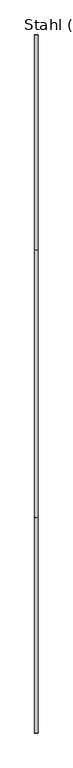
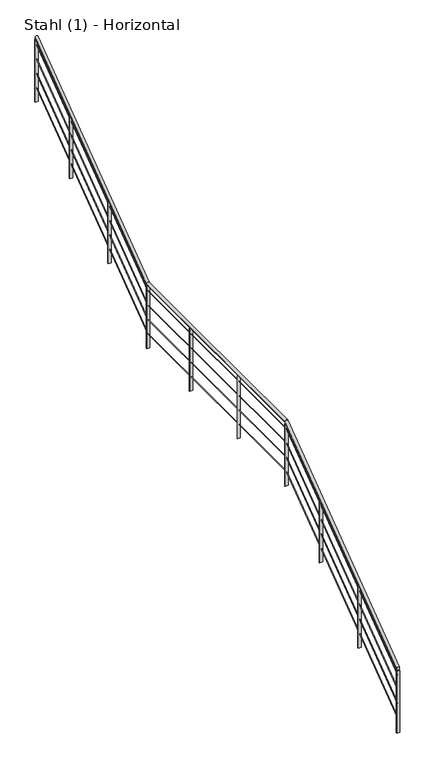
"""IFC4 building model written with IfcOpenShell, lengths in millimetres: railing geometry, Stahl (1) - Horizontal."""

from ifc_helpers import new_model, si_unit, frame, origin, place, context, project, spatial, polyline, ellipse_curve, outline, extrude, source, transform, mapped, element, save
from ifc_brep_helpers import plane_surface, cylinder_surface, advanced_brep


def stahl_1_horizontal_097bbfe8(model_context):
    return source(origin(), model_context, "Body", "SolidModel", [
        advanced_brep(
        [(33122.3888375, 17140.3990241, 4785.0587002), (33082.3888375, 17140.3990241, 4785.0587002), (33122.3888375, 19697.0307686, 6690.0), (33082.3888375, 19697.0307686, 6690.0), (33122.3888375, 22869.8979331, 6690.0), (33082.3888375, 22869.8979331, 6690.0), (33122.3888375, 25413.2661887, 8585.0587002), (33082.3888375, 25413.2661887, 8585.0587002)],
        [
            (0, 1, ellipse_curve(frame((33102.3888375, 17140.3990241, 4785.0587002), z_axis=(0.0, -1.0, 0.0), x_axis=(0.0, 0.0, -1.0)), 24.9412998, 20.0)),
            (1, 0, ellipse_curve(frame((33102.3888375, 17140.3990241, 4785.0587002), z_axis=(0.0, -1.0, 0.0), x_axis=(0.0, 0.0, -1.0)), 24.9412998, 20.0)),
            (0, 2),
            (2, 3, ellipse_curve(frame((33102.3888375, 19697.0307686, 6690.0), z_axis=(0.0, -0.9491793370099771, -0.31473574025410656), x_axis=(0.0, 0.3147357402541069, -0.9491793370099768)), 21.0708337, 20.0)),
            (3, 1),
            (3, 2, ellipse_curve(frame((33102.3888375, 19697.0307686, 6690.0), z_axis=(0.0, -0.9491793370099771, -0.31473574025410656), x_axis=(0.0, 0.3147357402541069, -0.9491793370099768)), 21.0708337, 20.0)),
            (2, 4),
            (4, 5, ellipse_curve(frame((33102.3888375, 22869.8979331, 6690.0), z_axis=(0.0, -0.9491793370099771, -0.31473574025410656), x_axis=(0.0, -0.3147357402541059, 0.9491793370099773)), 21.0708337, 20.0)),
            (5, 3),
            (5, 4, ellipse_curve(frame((33102.3888375, 22869.8979331, 6690.0), z_axis=(0.0, -0.9491793370099771, -0.31473574025410656), x_axis=(0.0, -0.3147357402541059, 0.9491793370099773)), 21.0708337, 20.0)),
            (6, 7, ellipse_curve(frame((33102.3888375, 25413.2661887, 8585.0587002), z_axis=(0.0, 1.0, 0.0), x_axis=(0.0, 0.0, -1.0)), 24.9412998, 20.0)),
            (7, 6, ellipse_curve(frame((33102.3888375, 25413.2661887, 8585.0587002), z_axis=(0.0, 1.0, 0.0), x_axis=(0.0, 0.0, -1.0)), 24.9412998, 20.0)),
            (4, 6),
            (7, 5),
        ],
        [
            plane_surface(frame((33102.3888375, 17140.3990241, 4810.0), z_axis=(0.0, -1.0, 0.0), x_axis=(0.0, 0.0, 1.0))),
            cylinder_surface(frame((33102.3888375, 17152.3486506, 4793.9623434), z_axis=(0.0, -0.8018828276133991, -0.5974813225354744), x_axis=(-1.0, 0.0, 0.0)), 20.0),
            cylinder_surface(frame((33102.3888375, 19690.3990241, 6690.0), z_axis=(0.0, -1.0, 0.0), x_axis=(-1.0, 0.0, 0.0)), 20.0),
            plane_surface(frame((33102.3888375, 25413.2661887, 8610.0), z_axis=(0.0, 1.0, 0.0), x_axis=(0.0, 0.0, 1.0))),
            cylinder_surface(frame((33102.3888375, 22875.2158151, 6693.9623434), z_axis=(0.0, -0.8018828276133991, -0.5974813225354744), x_axis=(-1.0, 0.0, 0.0)), 20.0),
        ],
        [
            (0, [[1, 2]]),
            (1, [[-1, 3, 4, 5]]),
            (1, [[-2, -5, 6, -3]]),
            (2, [[-4, 7, 8, 9]]),
            (2, [[-6, -9, 10, -7]]),
            (3, [[11, 12]]),
            (4, [[-8, 13, -12, 14]]),
            (4, [[-10, -14, -11, -13]]),
        ],
    ),
        advanced_brep(
        [(33103.8888375, 17140.3990241, 4688.1294025), (33100.8888375, 17140.3990241, 4688.1294025), (33103.8888375, 19690.8964049, 6588.5), (33100.8888375, 19690.8964049, 6588.5), (33103.8888375, 22863.7635695, 6588.5), (33100.8888375, 22863.7635695, 6588.5), (33103.8888375, 25413.2661887, 8488.1294025), (33100.8888375, 25413.2661887, 8488.1294025)],
        [
            (0, 1, ellipse_curve(frame((33102.3888375, 17140.3990241, 4688.1294025), z_axis=(0.0, -1.0, 0.0), x_axis=(0.0, 0.0, -1.0)), 1.8705975, 1.5)),
            (1, 0, ellipse_curve(frame((33102.3888375, 17140.3990241, 4688.1294025), z_axis=(0.0, -1.0, 0.0), x_axis=(0.0, 0.0, -1.0)), 1.8705975, 1.5)),
            (0, 2),
            (2, 3, ellipse_curve(frame((33102.3888375, 19690.8964049, 6588.5), z_axis=(0.0, -0.9491793370099771, -0.31473574025410656), x_axis=(0.0, 0.3147357402541069, -0.9491793370099768)), 1.5803125, 1.5)),
            (3, 1),
            (3, 2, ellipse_curve(frame((33102.3888375, 19690.8964049, 6588.5), z_axis=(0.0, -0.9491793370099771, -0.31473574025410656), x_axis=(0.0, 0.3147357402541069, -0.9491793370099768)), 1.5803125, 1.5)),
            (2, 4),
            (4, 5, ellipse_curve(frame((33102.3888375, 22863.7635695, 6588.5), z_axis=(0.0, -0.9491793370099771, -0.31473574025410656), x_axis=(0.0, -0.3147357402541059, 0.9491793370099773)), 1.5803125, 1.5)),
            (5, 3),
            (5, 4, ellipse_curve(frame((33102.3888375, 22863.7635695, 6588.5), z_axis=(0.0, -0.9491793370099771, -0.31473574025410656), x_axis=(0.0, -0.3147357402541059, 0.9491793370099773)), 1.5803125, 1.5)),
            (6, 7, ellipse_curve(frame((33102.3888375, 25413.2661887, 8488.1294025), z_axis=(0.0, 1.0, 0.0), x_axis=(0.0, 0.0, -1.0)), 1.8705975, 1.5)),
            (7, 6, ellipse_curve(frame((33102.3888375, 25413.2661887, 8488.1294025), z_axis=(0.0, 1.0, 0.0), x_axis=(0.0, 0.0, -1.0)), 1.8705975, 1.5)),
            (4, 6),
            (7, 5),
        ],
        [
            plane_surface(frame((33102.3888375, 17140.3990241, 4690.0), z_axis=(0.0, -1.0, 0.0), x_axis=(0.0, 0.0, 1.0))),
            cylinder_surface(frame((33102.3888375, 17141.2952461, 4688.7971758), z_axis=(0.0, -0.8018828276133991, -0.5974813225354744), x_axis=(-1.0, 0.0, 0.0)), 1.5),
            cylinder_surface(frame((33102.3888375, 19690.3990241, 6588.5), z_axis=(0.0, -1.0, 0.0), x_axis=(-1.0, 0.0, 0.0)), 1.5),
            plane_surface(frame((33102.3888375, 25413.2661887, 8490.0), z_axis=(0.0, 1.0, 0.0), x_axis=(0.0, 0.0, 1.0))),
            cylinder_surface(frame((33102.3888375, 22864.1624107, 6588.7971758), z_axis=(0.0, -0.8018828276133991, -0.5974813225354744), x_axis=(-1.0, 0.0, 0.0)), 1.5),
        ],
        [
            (0, [[1, 2]]),
            (1, [[-1, 3, 4, 5]]),
            (1, [[-2, -5, 6, -3]]),
            (2, [[-4, 7, 8, 9]]),
            (2, [[-6, -9, 10, -7]]),
            (3, [[11, 12]]),
            (4, [[-8, 13, -12, 14]]),
            (4, [[-10, -14, -11, -13]]),
        ],
    ),
        advanced_brep(
        [(33103.8888375, 17140.3990241, 4488.1294025), (33100.8888375, 17140.3990241, 4488.1294025), (33103.8888375, 19690.8964049, 6388.5), (33100.8888375, 19690.8964049, 6388.5), (33103.8888375, 22863.7635695, 6388.5), (33100.8888375, 22863.7635695, 6388.5), (33103.8888375, 25413.2661887, 8288.1294025), (33100.8888375, 25413.2661887, 8288.1294025)],
        [
            (0, 1, ellipse_curve(frame((33102.3888375, 17140.3990241, 4488.1294025), z_axis=(0.0, -1.0, 0.0), x_axis=(0.0, 0.0, -1.0)), 1.8705975, 1.5)),
            (1, 0, ellipse_curve(frame((33102.3888375, 17140.3990241, 4488.1294025), z_axis=(0.0, -1.0, 0.0), x_axis=(0.0, 0.0, -1.0)), 1.8705975, 1.5)),
            (0, 2),
            (2, 3, ellipse_curve(frame((33102.3888375, 19690.8964049, 6388.5), z_axis=(0.0, -0.9491793370099771, -0.31473574025410656), x_axis=(0.0, 0.3147357402541069, -0.9491793370099768)), 1.5803125, 1.5)),
            (3, 1),
            (3, 2, ellipse_curve(frame((33102.3888375, 19690.8964049, 6388.5), z_axis=(0.0, -0.9491793370099771, -0.31473574025410656), x_axis=(0.0, 0.3147357402541069, -0.9491793370099768)), 1.5803125, 1.5)),
            (2, 4),
            (4, 5, ellipse_curve(frame((33102.3888375, 22863.7635695, 6388.5), z_axis=(0.0, -0.9491793370099771, -0.31473574025410656), x_axis=(0.0, -0.3147357402541059, 0.9491793370099773)), 1.5803125, 1.5)),
            (5, 3),
            (5, 4, ellipse_curve(frame((33102.3888375, 22863.7635695, 6388.5), z_axis=(0.0, -0.9491793370099771, -0.31473574025410656), x_axis=(0.0, -0.3147357402541059, 0.9491793370099773)), 1.5803125, 1.5)),
            (6, 7, ellipse_curve(frame((33102.3888375, 25413.2661887, 8288.1294025), z_axis=(0.0, 1.0, 0.0), x_axis=(0.0, 0.0, -1.0)), 1.8705975, 1.5)),
            (7, 6, ellipse_curve(frame((33102.3888375, 25413.2661887, 8288.1294025), z_axis=(0.0, 1.0, 0.0), x_axis=(0.0, 0.0, -1.0)), 1.8705975, 1.5)),
            (4, 6),
            (7, 5),
        ],
        [
            plane_surface(frame((33102.3888375, 17140.3990241, 4490.0), z_axis=(0.0, -1.0, 0.0), x_axis=(0.0, 0.0, 1.0))),
            cylinder_surface(frame((33102.3888375, 17141.2952461, 4488.7971758), z_axis=(0.0, -0.8018828276133991, -0.5974813225354744), x_axis=(-1.0, 0.0, 0.0)), 1.5),
            cylinder_surface(frame((33102.3888375, 19690.3990241, 6388.5), z_axis=(0.0, -1.0, 0.0), x_axis=(-1.0, 0.0, 0.0)), 1.5),
            plane_surface(frame((33102.3888375, 25413.2661887, 8290.0), z_axis=(0.0, 1.0, 0.0), x_axis=(0.0, 0.0, 1.0))),
            cylinder_surface(frame((33102.3888375, 22864.1624107, 6388.7971758), z_axis=(0.0, -0.8018828276133991, -0.5974813225354744), x_axis=(-1.0, 0.0, 0.0)), 1.5),
        ],
        [
            (0, [[1, 2]]),
            (1, [[-1, 3, 4, 5]]),
            (1, [[-2, -5, 6, -3]]),
            (2, [[-4, 7, 8, 9]]),
            (2, [[-6, -9, 10, -7]]),
            (3, [[11, 12]]),
            (4, [[-8, 13, -12, 14]]),
            (4, [[-10, -14, -11, -13]]),
        ],
    ),
        advanced_brep(
        [(33103.8888375, 17140.3990241, 4288.1294025), (33100.8888375, 17140.3990241, 4288.1294025), (33103.8888375, 19690.8964049, 6188.5), (33100.8888375, 19690.8964049, 6188.5), (33103.8888375, 22863.7635695, 6188.5), (33100.8888375, 22863.7635695, 6188.5), (33103.8888375, 25413.2661887, 8088.1294025), (33100.8888375, 25413.2661887, 8088.1294025)],
        [
            (0, 1, ellipse_curve(frame((33102.3888375, 17140.3990241, 4288.1294025), z_axis=(0.0, -1.0, 0.0), x_axis=(0.0, 0.0, -1.0)), 1.8705975, 1.5)),
            (1, 0, ellipse_curve(frame((33102.3888375, 17140.3990241, 4288.1294025), z_axis=(0.0, -1.0, 0.0), x_axis=(0.0, 0.0, -1.0)), 1.8705975, 1.5)),
            (0, 2),
            (2, 3, ellipse_curve(frame((33102.3888375, 19690.8964049, 6188.5), z_axis=(0.0, -0.9491793370099771, -0.31473574025410656), x_axis=(0.0, 0.3147357402541069, -0.9491793370099768)), 1.5803125, 1.5)),
            (3, 1),
            (3, 2, ellipse_curve(frame((33102.3888375, 19690.8964049, 6188.5), z_axis=(0.0, -0.9491793370099771, -0.31473574025410656), x_axis=(0.0, 0.3147357402541069, -0.9491793370099768)), 1.5803125, 1.5)),
            (2, 4),
            (4, 5, ellipse_curve(frame((33102.3888375, 22863.7635695, 6188.5), z_axis=(0.0, -0.9491793370099771, -0.31473574025410656), x_axis=(0.0, -0.3147357402541059, 0.9491793370099773)), 1.5803125, 1.5)),
            (5, 3),
            (5, 4, ellipse_curve(frame((33102.3888375, 22863.7635695, 6188.5), z_axis=(0.0, -0.9491793370099771, -0.31473574025410656), x_axis=(0.0, -0.3147357402541059, 0.9491793370099773)), 1.5803125, 1.5)),
            (6, 7, ellipse_curve(frame((33102.3888375, 25413.2661887, 8088.1294025), z_axis=(0.0, 1.0, 0.0), x_axis=(0.0, 0.0, -1.0)), 1.8705975, 1.5)),
            (7, 6, ellipse_curve(frame((33102.3888375, 25413.2661887, 8088.1294025), z_axis=(0.0, 1.0, 0.0), x_axis=(0.0, 0.0, -1.0)), 1.8705975, 1.5)),
            (4, 6),
            (7, 5),
        ],
        [
            plane_surface(frame((33102.3888375, 17140.3990241, 4290.0), z_axis=(0.0, -1.0, 0.0), x_axis=(0.0, 0.0, 1.0))),
            cylinder_surface(frame((33102.3888375, 17141.2952461, 4288.7971758), z_axis=(0.0, -0.8018828276133991, -0.5974813225354744), x_axis=(-1.0, 0.0, 0.0)), 1.5),
            cylinder_surface(frame((33102.3888375, 19690.3990241, 6188.5), z_axis=(0.0, -1.0, 0.0), x_axis=(-1.0, 0.0, 0.0)), 1.5),
            plane_surface(frame((33102.3888375, 25413.2661887, 8090.0), z_axis=(0.0, 1.0, 0.0), x_axis=(0.0, 0.0, 1.0))),
            cylinder_surface(frame((33102.3888375, 22864.1624107, 6188.7971758), z_axis=(0.0, -0.8018828276133991, -0.5974813225354744), x_axis=(-1.0, 0.0, 0.0)), 1.5),
        ],
        [
            (0, [[1, 2]]),
            (1, [[-1, 3, 4, 5]]),
            (1, [[-2, -5, 6, -3]]),
            (2, [[-4, 7, 8, 9]]),
            (2, [[-6, -9, 10, -7]]),
            (3, [[11, 12]]),
            (4, [[-8, 13, -12, 14]]),
            (4, [[-10, -14, -11, -13]]),
        ],
    ),
        advanced_brep(
        [(33103.8888375, 17140.3990241, 4088.1294025), (33100.8888375, 17140.3990241, 4088.1294025), (33103.8888375, 19690.8964049, 5988.5), (33100.8888375, 19690.8964049, 5988.5), (33103.8888375, 22863.7635695, 5988.5), (33100.8888375, 22863.7635695, 5988.5), (33103.8888375, 25413.2661887, 7888.1294025), (33100.8888375, 25413.2661887, 7888.1294025)],
        [
            (0, 1, ellipse_curve(frame((33102.3888375, 17140.3990241, 4088.1294025), z_axis=(0.0, -1.0, 0.0), x_axis=(0.0, 0.0, -1.0)), 1.8705975, 1.5)),
            (1, 0, ellipse_curve(frame((33102.3888375, 17140.3990241, 4088.1294025), z_axis=(0.0, -1.0, 0.0), x_axis=(0.0, 0.0, -1.0)), 1.8705975, 1.5)),
            (0, 2),
            (2, 3, ellipse_curve(frame((33102.3888375, 19690.8964049, 5988.5), z_axis=(0.0, -0.9491793370099771, -0.31473574025410656), x_axis=(0.0, 0.3147357402541069, -0.9491793370099768)), 1.5803125, 1.5)),
            (3, 1),
            (3, 2, ellipse_curve(frame((33102.3888375, 19690.8964049, 5988.5), z_axis=(0.0, -0.9491793370099771, -0.31473574025410656), x_axis=(0.0, 0.3147357402541069, -0.9491793370099768)), 1.5803125, 1.5)),
            (2, 4),
            (4, 5, ellipse_curve(frame((33102.3888375, 22863.7635695, 5988.5), z_axis=(0.0, -0.9491793370099771, -0.31473574025410656), x_axis=(0.0, -0.3147357402541059, 0.9491793370099773)), 1.5803125, 1.5)),
            (5, 3),
            (5, 4, ellipse_curve(frame((33102.3888375, 22863.7635695, 5988.5), z_axis=(0.0, -0.9491793370099771, -0.31473574025410656), x_axis=(0.0, -0.3147357402541059, 0.9491793370099773)), 1.5803125, 1.5)),
            (6, 7, ellipse_curve(frame((33102.3888375, 25413.2661887, 7888.1294025), z_axis=(0.0, 1.0, 0.0), x_axis=(0.0, 0.0, -1.0)), 1.8705975, 1.5)),
            (7, 6, ellipse_curve(frame((33102.3888375, 25413.2661887, 7888.1294025), z_axis=(0.0, 1.0, 0.0), x_axis=(0.0, 0.0, -1.0)), 1.8705975, 1.5)),
            (4, 6),
            (7, 5),
        ],
        [
            plane_surface(frame((33102.3888375, 17140.3990241, 4090.0), z_axis=(0.0, -1.0, 0.0), x_axis=(0.0, 0.0, 1.0))),
            cylinder_surface(frame((33102.3888375, 17141.2952461, 4088.7971758), z_axis=(0.0, -0.8018828276133991, -0.5974813225354744), x_axis=(-1.0, 0.0, 0.0)), 1.5),
            cylinder_surface(frame((33102.3888375, 19690.3990241, 5988.5), z_axis=(0.0, -1.0, 0.0), x_axis=(-1.0, 0.0, 0.0)), 1.5),
            plane_surface(frame((33102.3888375, 25413.2661887, 7890.0), z_axis=(0.0, 1.0, 0.0), x_axis=(0.0, 0.0, 1.0))),
            cylinder_surface(frame((33102.3888375, 22864.1624107, 5988.7971758), z_axis=(0.0, -0.8018828276133991, -0.5974813225354744), x_axis=(-1.0, 0.0, 0.0)), 1.5),
        ],
        [
            (0, [[1, 2]]),
            (1, [[-1, 3, 4, 5]]),
            (1, [[-2, -5, 6, -3]]),
            (2, [[-4, 7, 8, 9]]),
            (2, [[-6, -9, 10, -7]]),
            (3, [[11, 12]]),
            (4, [[-8, 13, -12, 14]]),
            (4, [[-10, -14, -11, -13]]),
        ],
    ),
        extrude(outline(polyline([(24617.8868783, 7967.4818358), (24625.8868783, 7973.4426202), (24625.8868783, 7100.3448276), (24617.8868783, 7100.3448276), (24617.8868783, 7967.4818358)])), frame((33082.3888375, 0.0, 0.0), z_axis=(1.0, 0.0, 0.0), x_axis=(0.0, 1.0, 0.0)), (0.0, 0.0, 1.0), 40.0),
        extrude(outline(polyline([(23738.5765335, 7312.3094221), (23746.5765335, 7318.2702064), (23746.5765335, 6445.1724138), (23738.5765335, 6445.1724138), (23738.5765335, 7312.3094221)])), frame((33082.3888375, 0.0, 0.0), z_axis=(1.0, 0.0, 0.0), x_axis=(0.0, 1.0, 0.0)), (0.0, 0.0, 1.0), 40.0),
        extrude(outline(polyline([(33082.3888375, 21874.5832755), (33082.3888375, 21882.5832755), (33122.3888375, 21882.5832755), (33122.3888375, 21874.5832755), (33082.3888375, 21874.5832755)])), frame((0.0, 0.0, 5790.0), z_axis=(0.0, 0.0, 1.0), x_axis=(1.0, 0.0, 0.0)), (0.0, 0.0, 1.0), 880.0),
        extrude(outline(polyline([(33082.3888375, 20780.4911498), (33082.3888375, 20788.4911498), (33122.3888375, 20788.4911498), (33122.3888375, 20780.4911498), (33082.3888375, 20780.4911498)])), frame((0.0, 0.0, 5790.0), z_axis=(0.0, 0.0, 1.0), x_axis=(1.0, 0.0, 0.0)), (0.0, 0.0, 1.0), 880.0),
        extrude(outline(polyline([(18895.0197138, 6067.4818358), (18903.0197138, 6073.4426202), (18903.0197138, 5200.3448276), (18895.0197138, 5200.3448276), (18895.0197138, 6067.4818358)])), frame((33082.3888375, 0.0, 0.0), z_axis=(1.0, 0.0, 0.0), x_axis=(0.0, 1.0, 0.0)), (0.0, 0.0, 1.0), 40.0),
        extrude(outline(polyline([(18015.7093689, 5412.3094221), (18023.7093689, 5418.2702064), (18023.7093689, 4545.1724138), (18015.7093689, 4545.1724138), (18015.7093689, 5412.3094221)])), frame((33082.3888375, 0.0, 0.0), z_axis=(1.0, 0.0, 0.0), x_axis=(0.0, 1.0, 0.0)), (0.0, 0.0, 1.0), 40.0),
        extrude(outline(polyline([(33082.3888375, 22859.2661887), (33082.3888375, 22867.2661887), (33122.3888375, 22867.2661887), (33122.3888375, 22859.2661887), (33082.3888375, 22859.2661887)])), frame((0.0, 0.0, 5790.0), z_axis=(0.0, 0.0, 1.0), x_axis=(1.0, 0.0, 0.0)), (0.0, 0.0, 1.0), 880.0),
        extrude(outline(polyline([(19686.3990241, 6657.1370083), (19694.3990241, 6663.0977926), (19694.3990241, 5790.0), (19686.3990241, 5790.0), (19686.3990241, 6657.1370083)])), frame((33082.3888375, 0.0, 0.0), z_axis=(1.0, 0.0, 0.0), x_axis=(0.0, 1.0, 0.0)), (0.0, 0.0, 1.0), 40.0),
        extrude(outline(polyline([(25409.2661887, 8557.1370083), (25417.2661887, 8563.0977926), (25417.2661887, 7690.0), (25409.2661887, 7690.0), (25409.2661887, 8557.1370083)])), frame((33082.3888375, 0.0, 0.0), z_axis=(1.0, 0.0, 0.0), x_axis=(0.0, 1.0, 0.0)), (0.0, 0.0, 1.0), 40.0),
        extrude(outline(polyline([(17136.3990241, 4757.1370083), (17144.3990241, 4763.0977926), (17144.3990241, 3890.0), (17136.3990241, 3890.0), (17136.3990241, 4757.1370083)])), frame((33082.3888375, 0.0, 0.0), z_axis=(1.0, 0.0, 0.0), x_axis=(0.0, 1.0, 0.0)), (0.0, 0.0, 1.0), 40.0),
    ])


if __name__ == "__main__":
    model = new_model("IFC4")
    model_context = context("Model", 3, world=origin())
    ifc_project = project(units=[si_unit("LENGTHUNIT", "METRE", prefix="MILLI")], contexts=[model_context])
    site = spatial("IfcSite", under=ifc_project)
    building = spatial("IfcBuilding", under=site)
    placement = place(None, origin())
    stahl_1_horizontal_shape = stahl_1_horizontal_097bbfe8(model_context)
    element("IfcRailing", 1, ObjectType="Stahl (1) - Horizontal", at=placement, inside=building, context=model_context, shape_type="MappedRepresentation", body=[
        mapped(stahl_1_horizontal_shape, transform((0.0, 0.0, 0.0), x_axis=(1.0, 0.0, 0.0), y_axis=(0.0, 1.0, 0.0), z_axis=(0.0, 0.0, 1.0))),
    ])
    save(model, "model.ifc")
